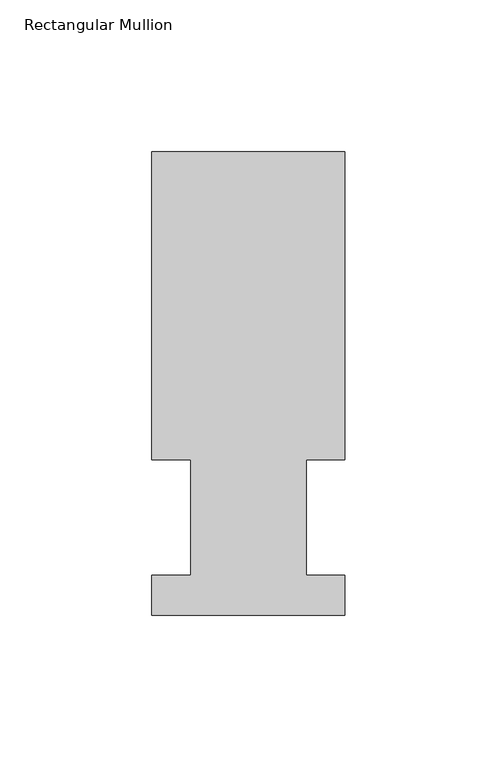
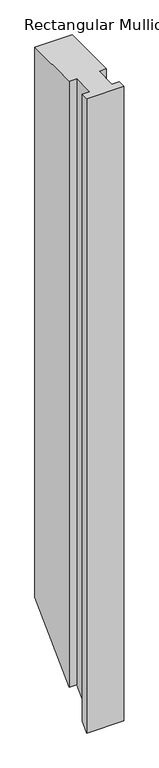
"""IFC4 building model written with IfcOpenShell, lengths in millimetres: member geometry, Rectangular Mullion."""

from ifc_helpers import new_model, si_unit, origin, place, context, project, spatial, faceted_brep, source, transform, mapped, element, save


def rectangular_mullion_4faa3b3e(model_context):
    return source(origin(), model_context, "Body", "Brep", [
        faceted_brep([(-63.5, 152.4896937, 0.0), (-63.5, 51.2960938, 0.0), (-50.8, 51.2960937, 0.0), (-50.8, 13.1960938, 0.0), (-63.5, 13.1960938, 0.0), (-63.5, 0.0134938, 0.0), (0.0, 0.0134938, 0.0), (0.0, 13.1960938, 0.0), (-12.6873, 13.1960938, 0.0), (-12.6873, 51.2960938, 0.0), (0.0, 51.2960938, 0.0), (0.0, 152.4896937, 0.0), (-63.5, 152.4896937, -990.5238), (-63.5, 51.2960937, -1091.7174), (-50.8, 51.2960937, -1091.7174), (-50.8, 13.1960938, -1129.8174), (-63.5, 13.1960938, -1129.8174), (-63.5, 0.0134938, -1143.0), (0.0, 0.0134938, -1143.0), (0.0, 13.1960938, -1129.8174), (-12.6873, 13.1960938, -1129.8174), (-12.6873, 51.2960938, -1091.7174), (0.0, 51.2960938, -1091.7174), (0.0, 152.4896937, -990.5238)], [[[0, 1, 2, 3, 4, 5, 6, 7, 8, 9, 10, 11]], [[1, 0, 12, 13]], [[2, 1, 13, 14]], [[3, 2, 14, 15]], [[4, 3, 15, 16]], [[5, 4, 16, 17]], [[6, 5, 17, 18]], [[7, 6, 18, 19]], [[8, 7, 19, 20]], [[9, 8, 20, 21]], [[10, 9, 21, 22]], [[11, 10, 22, 23]], [[0, 11, 23, 12]], [[12, 23, 22, 21, 20, 19, 18, 17, 16, 15, 14, 13]]]),
    ])


if __name__ == "__main__":
    model = new_model("IFC4")
    model_context = context("Model", 3, world=origin())
    ifc_project = project(units=[si_unit("LENGTHUNIT", "METRE", prefix="MILLI")], contexts=[model_context])
    site = spatial("IfcSite", under=ifc_project)
    building = spatial("IfcBuilding", under=site)
    placement = place(None, origin())
    rectangular_mullion_shape = rectangular_mullion_4faa3b3e(model_context)
    element("IfcMember", 1, ObjectType="Rectangular Mullion", at=placement, inside=building, context=model_context, shape_type="MappedRepresentation", body=[
        mapped(rectangular_mullion_shape, transform((0.0, 0.0, 0.0), x_axis=(1.0, 0.0, 0.0), y_axis=(0.0, 1.0, 0.0), z_axis=(0.0, 0.0, 1.0))),
    ])
    save(model, "model.ifc")
